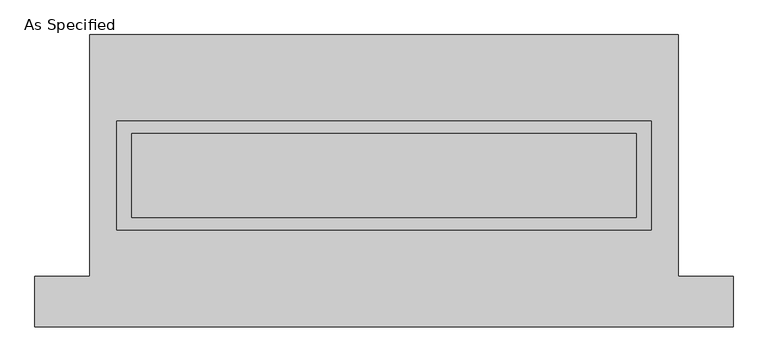
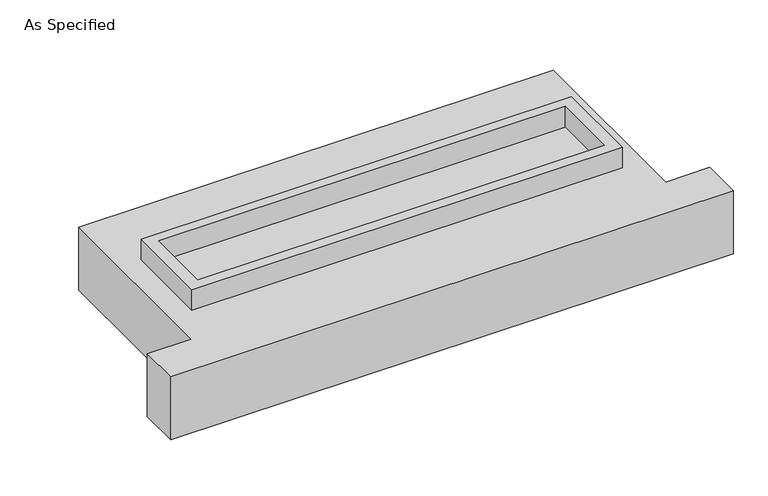
"""IFC4 building model written with IfcOpenShell, lengths in millimetres: proxy geometry, As Specified."""

from ifc_helpers import new_model, si_unit, frame, origin, place, context, project, spatial, polyline, outline, extrude, source, transform, mapped, element, save


def as_specified_708edf52(model_context):
    return source(origin(), model_context, "Body", "SweptSolid", [
        extrude(outline(polyline([(1612.9, 361.95), (1612.9, -298.45), (-1612.9, -298.45), (-1612.9, 361.95), (1612.9, 361.95)]), holes=[polyline([(1524.0, 285.75), (-1524.0, 285.75), (-1524.0, -222.25), (1524.0, -222.25), (1524.0, 285.75)])]), frame((0.0, 0.0, -688.975), z_axis=(0.0, 0.0, 1.0), x_axis=(1.0, 0.0, 0.0)), (0.0, 0.0, 1.0), 165.1),
        extrude(outline(polyline([(1612.9, 361.95), (1612.9, -298.45), (-1612.9, -298.45), (-1612.9, 361.95), (1612.9, 361.95)]), holes=[polyline([(1524.0, 285.75), (-1524.0, 285.75), (-1524.0, -222.25), (1524.0, -222.25), (1524.0, 285.75)])]), frame((0.0, 0.0, -25.4), z_axis=(0.0, 0.0, 1.0), x_axis=(1.0, 0.0, 0.0)), (0.0, 0.0, 1.0), 165.1),
        extrude(outline(polyline([(1524.0, 285.75), (1524.0, -222.25), (-1524.0, -222.25), (-1524.0, 285.75), (1524.0, 285.75)])), frame((0.0, 0.0, -523.875), z_axis=(0.0, 0.0, 1.0), x_axis=(1.0, 0.0, 0.0)), (0.0, 0.0, 1.0), 4.9609375),
        extrude(outline(polyline([(1524.0, 285.75), (1524.0, -222.25), (-1524.0, -222.25), (-1524.0, 285.75), (1524.0, 285.75)])), frame((0.0, 0.0, -30.3609375), z_axis=(0.0, 0.0, 1.0), x_axis=(1.0, 0.0, 0.0)), (0.0, 0.0, 1.0), 4.9609375),
        extrude(outline(polyline([(-1778.0, 882.65), (1778.0, 882.65), (1778.0, -577.85), (2108.2, -577.85), (2108.2, -882.65), (-2108.2, -882.65), (-2108.2, -577.85), (-1778.0, -577.85), (-1778.0, 882.65)]), holes=[polyline([(-1612.9, 361.95), (-1612.9, -298.45), (1612.9, -298.45), (1612.9, 361.95), (-1612.9, 361.95)])]), frame((0.0, 0.0, -523.875), z_axis=(0.0, 0.0, 1.0), x_axis=(1.0, 0.0, 0.0)), (0.0, 0.0, 1.0), 498.475),
    ])


if __name__ == "__main__":
    model = new_model("IFC4")
    model_context = context("Model", 3, world=origin())
    ifc_project = project(units=[si_unit("LENGTHUNIT", "METRE", prefix="MILLI")], contexts=[model_context])
    site = spatial("IfcSite", under=ifc_project)
    building = spatial("IfcBuilding", under=site)
    placement = place(None, origin())
    as_specified_shape = as_specified_708edf52(model_context)
    element("IfcBuildingElementProxy", 1, Name="As Specified", ObjectType="As Specified", at=placement, inside=building, context=model_context, shape_type="MappedRepresentation", body=[
        mapped(as_specified_shape, transform((0.0, 0.0, 0.0), x_axis=(1.0, 0.0, 0.0), y_axis=(0.0, 1.0, 0.0), z_axis=(0.0, 0.0, 1.0))),
    ])
    save(model, "model.ifc")
